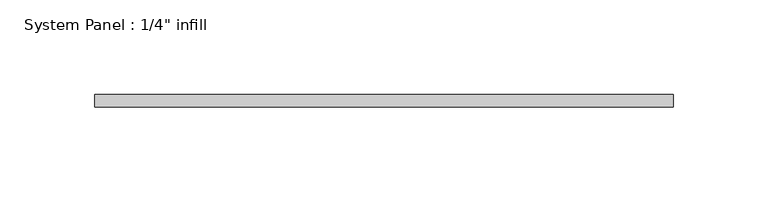
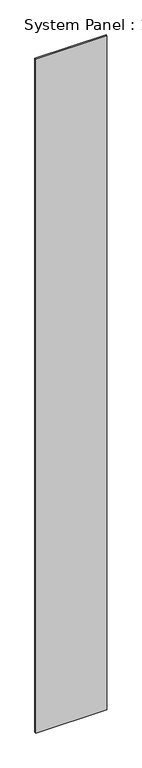
"""IFC4 building model written with IfcOpenShell, lengths in millimetres: plate geometry."""

from ifc_helpers import new_model, si_unit, origin, origin_with_axes, place, context, project, spatial, polyline, outline, extrude, source, transform, mapped, element, save


def plate_45f49690(model_context):
    return source(origin(), model_context, "Body", "SweptSolid", [
        extrude(outline(polyline([(152.1783657, -6.35), (-152.1783657, -6.35), (-152.1783657, 0.0), (152.1783657, 0.0), (152.1783657, -6.35)])), origin_with_axes(), (0.0, 0.0, 1.0), 3048.0),
    ])


if __name__ == "__main__":
    model = new_model("IFC4")
    model_context = context("Model", 3, world=origin())
    ifc_project = project(units=[si_unit("LENGTHUNIT", "METRE", prefix="MILLI")], contexts=[model_context])
    site = spatial("IfcSite", under=ifc_project)
    building = spatial("IfcBuilding", under=site)
    placement = place(None, origin())
    plate_shape = plate_45f49690(model_context)
    element("IfcPlate", 1, ObjectType="System Panel : 1/4\" infill", at=placement, inside=building, context=model_context, shape_type="MappedRepresentation", body=[
        mapped(plate_shape, transform((0.0, 0.0, 0.0), x_axis=(1.0, 0.0, 0.0), y_axis=(0.0, 1.0, 0.0), z_axis=(0.0, 0.0, 1.0))),
    ])
    save(model, "model.ifc")
